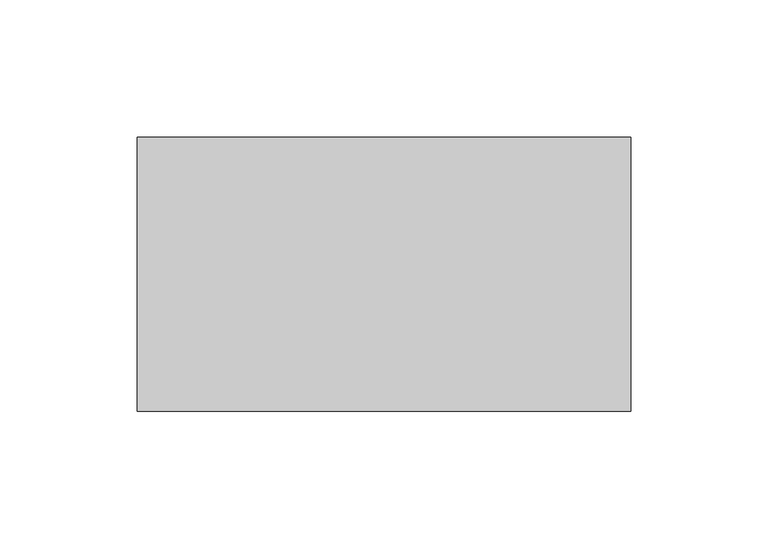
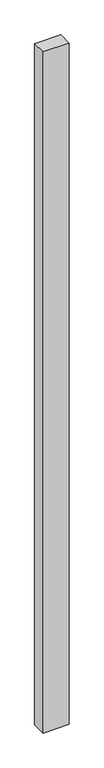
"""IFC4 building model written with IfcOpenShell, lengths in millimetres: proxy geometry."""

from ifc_helpers import new_model, si_unit, frame, origin, place, context, project, spatial, polyline, outline, extrude, source, transform, mapped, element, save


def generic_models_923daf0d(model_context):
    return source(origin(), model_context, "Body", "SweptSolid", [
        extrude(outline(polyline([(180.0, 100.0), (180.0, 0.0), (0.0, 0.0), (0.0, 100.0), (180.0, 100.0)])), frame((0.0, 0.0, -4950.0), z_axis=(0.0, 0.0, 1.0), x_axis=(1.0, 0.0, 0.0)), (0.0, 0.0, 1.0), 4950.0),
    ])


if __name__ == "__main__":
    model = new_model("IFC4")
    model_context = context("Model", 3, world=origin())
    ifc_project = project(units=[si_unit("LENGTHUNIT", "METRE", prefix="MILLI")], contexts=[model_context])
    site = spatial("IfcSite", under=ifc_project)
    building = spatial("IfcBuilding", under=site)
    placement = place(None, origin())
    generic_models_shape = generic_models_923daf0d(model_context)
    element("IfcBuildingElementProxy", 1, Name="Generic Models", at=placement, inside=building, context=model_context, shape_type="MappedRepresentation", body=[
        mapped(generic_models_shape, transform((0.0, 0.0, 0.0), x_axis=(1.0, 0.0, 0.0), y_axis=(0.0, 1.0, 0.0), z_axis=(0.0, 0.0, 1.0))),
    ])
    save(model, "model.ifc")
